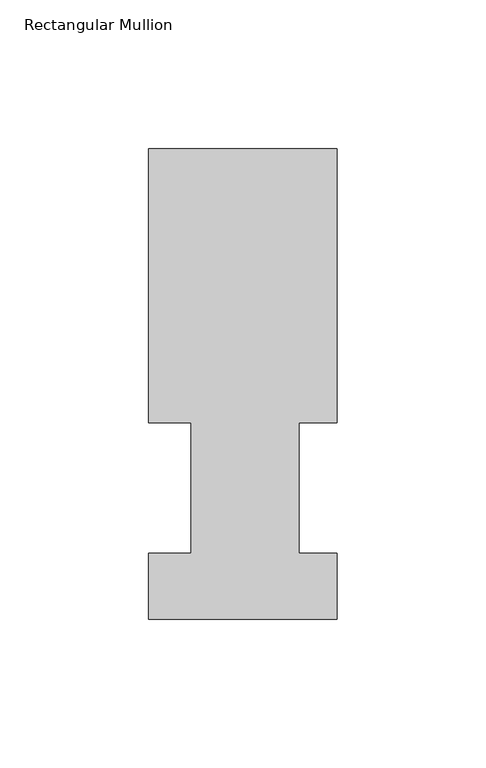
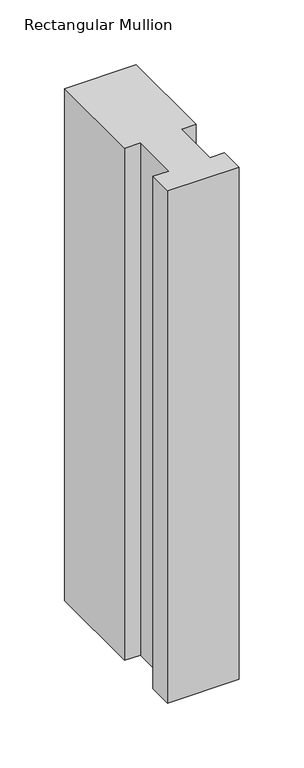
"""IFC4 building model written with IfcOpenShell, lengths in millimetres: member geometry, Rectangular Mullion."""

from ifc_helpers import new_model, si_unit, frame, origin, place, context, project, spatial, polyline, outline, extrude, source, transform, mapped, element, save


def rectangular_mullion_0a033933(model_context):
    return source(origin(), model_context, "Body", "SweptSolid", [
        extrude(outline(polyline([(-63.5, 158.2308875), (0.0, 158.2308875), (0.0, 66.0796875), (-12.8524, 66.0796875), (-12.8524, 22.1122875), (0.0, 22.1122875), (0.0, -0.0080424), (-63.5, -0.0080424), (-63.5, 22.1122875), (-49.2125, 22.1122875), (-49.2125, 66.0796875), (-63.5, 66.0796875), (-63.5, 158.2308875)])), frame((0.0, 0.0, -481.5416667), z_axis=(0.0, 0.0, 1.0), x_axis=(1.0, 0.0, 0.0)), (0.0, 0.0, 1.0), 481.5416667),
    ])


if __name__ == "__main__":
    model = new_model("IFC4")
    model_context = context("Model", 3, world=origin())
    ifc_project = project(units=[si_unit("LENGTHUNIT", "METRE", prefix="MILLI")], contexts=[model_context])
    site = spatial("IfcSite", under=ifc_project)
    building = spatial("IfcBuilding", under=site)
    placement = place(None, origin())
    rectangular_mullion_shape = rectangular_mullion_0a033933(model_context)
    element("IfcMember", 1, ObjectType="Rectangular Mullion", at=placement, inside=building, context=model_context, shape_type="MappedRepresentation", body=[
        mapped(rectangular_mullion_shape, transform((0.0, 0.0, 0.0), x_axis=(1.0, 0.0, 0.0), y_axis=(0.0, 1.0, 0.0), z_axis=(0.0, 0.0, 1.0))),
    ])
    save(model, "model.ifc")
